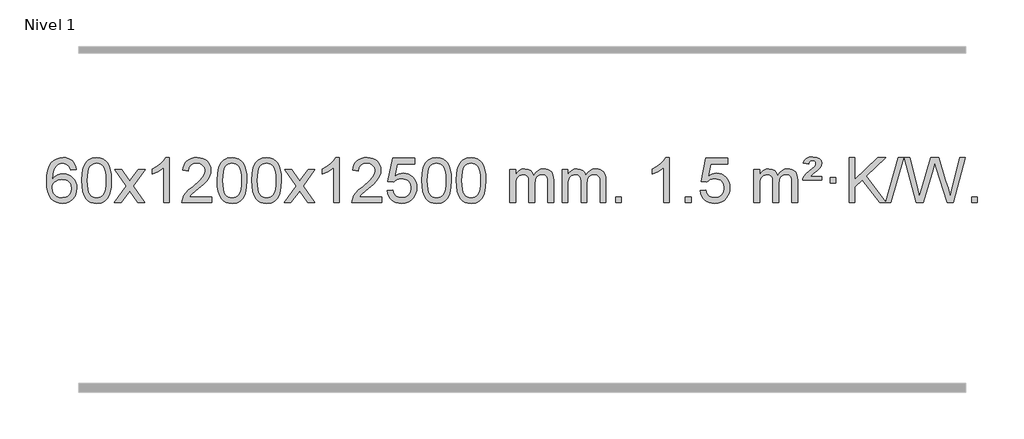
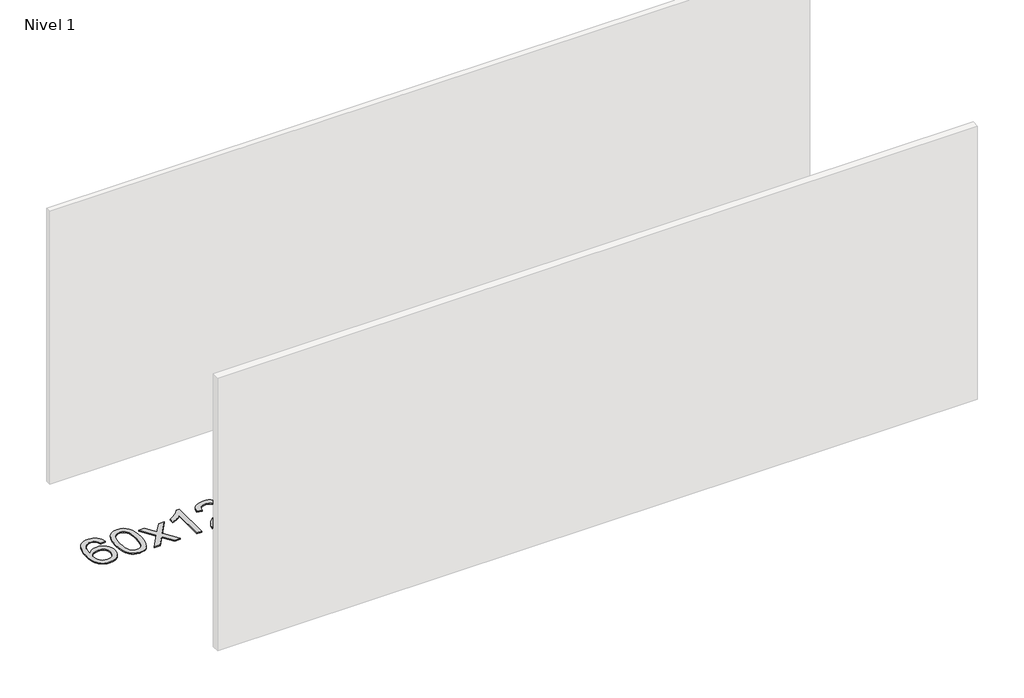
# One storey, part 14 of 14: 1 proxy.
"""IFC4 building model written with IfcOpenShell, lengths in millimetres."""

from ifc_helpers import new_model, si_unit, origin, origin_with_axes, place, context, project, spatial, polyline, outline, extrude, element, save

model = new_model("IFC4")

# Units and contexts
model_context = context("Model", 3, world=origin())
ifc_project = project(units=[si_unit("LENGTHUNIT", "METRE", prefix="MILLI")], contexts=[model_context])

# Site, building, storey
site = spatial("IfcSite", under=ifc_project)
building = spatial("IfcBuilding", under=site)
storey = spatial("IfcBuildingStorey", under=building, Name="Nivel 1", Elevation=0.0)

# Proxy
placement = place(None, origin())
element("IfcBuildingElementProxy", 1, Name="Texto de modelo 1", ObjectType="Texto de modelo 1", at=placement, inside=storey, context=model_context, shape_type="SweptSolid", body=[
    extrude(outline(polyline([(-252.5741406, 2903.5109581), (-302.8022957, 2897.2324387), (-310.8956996, 2922.125787), (-321.8340576, 2939.1219352), (-344.6182158, 2954.7937082), (-372.1603145, 2960.0176325), (-395.5085585, 2956.9764747), (-417.4833763, 2947.8530012), (-436.3557227, 2928.6372983), (-451.7699783, 2902.1865829), (-462.1810387, 2864.772984), (-466.0437997, 2812.6686307), (-445.8961291, 2836.1762902), (-421.7508075, 2852.7432427), (-394.9567355, 2862.565692), (-366.8628138, 2865.8398418), (-342.7297549, 2863.601893), (-320.4606315, 2856.8880466), (-300.0554435, 2845.6983025), (-281.5141909, 2830.0326609), (-266.1060667, 2810.8230894), (-255.1002637, 2789.0015557), (-248.4967818, 2764.5680599), (-246.2956212, 2737.5226018), (-250.440425, 2701.5560055), (-262.8748365, 2668.213634), (-282.568786, 2639.9357713), (-308.4922039, 2619.1627013), (-339.4678679, 2606.397196), (-374.3185556, 2602.1420276), (-404.2610843, 2604.9624563), (-431.3034766, 2613.4237421), (-455.4457325, 2627.5258853), (-476.6878521, 2647.2688857), (-494.005897, 2673.4866092), (-506.3759291, 2707.0129217), (-513.7979483, 2747.8478232), (-516.2719548, 2795.9913136), (-513.5251025, 2849.9657337), (-505.2845458, 2896.0306908), (-491.5502847, 2934.1861851), (-472.3223191, 2964.4322165), (-451.481804, 2984.4756538), (-427.3180883, 2998.7923948), (-399.8311719, 3007.3824394), (-369.0210548, 3010.2457876), (-345.8874087, 3008.4738227), (-324.9487918, 3003.1579278), (-306.2052042, 2994.2981031), (-289.6566457, 2981.8943485), (-275.7507063, 2966.3635969), (-264.9349757, 2948.1227814), (-257.2094538, 2927.1719017), (-252.5741406, 2903.5109581)]), holes=[polyline([(-466.0437997, 2738.3074168), (-463.1375319, 2716.0505561), (-454.4187286, 2694.7992395), (-440.8806712, 2676.527767), (-423.516641, 2663.2104388), (-402.5596301, 2655.0802467), (-378.2426302, 2652.3701827), (-345.0964624, 2657.9865145), (-331.1813259, 2665.0069292), (-319.0381544, 2674.8355099), (-309.188114, 2687.0737176), (-302.1523708, 2701.3230135), (-296.5237763, 2735.8548701), (-302.0787944, 2769.0010379), (-309.0225671, 2782.6218688), (-318.7438488, 2794.274531), (-330.9238085, 2803.6095366), (-345.2436152, 2810.2773978), (-380.3027693, 2815.6116867), (-413.3998862, 2810.2773978), (-441.0768749, 2794.274531), (-451.9999045, 2782.7751529), (-459.8020685, 2769.6141746), (-464.4833669, 2754.7915958), (-466.0437997, 2738.3074168)])]), origin_with_axes(), (0.0, 0.0, 1.0), 10.0),
    extrude(outline(polyline([(-202.3459855, 2806.0958057), (-198.6549029, 2870.4138412), (-187.5816548, 2921.7088541), (-169.236606, 2960.7656593), (-157.378543, 2975.9990395), (-143.730121, 2988.3690716), (-128.2453547, 2997.9401349), (-110.8782588, 3004.7766086), (-70.4970785, 3010.2457876), (-39.5459399, 3007.008426), (-11.832163, 2997.2963414), (11.3444027, 2981.4896783), (28.6839074, 2959.9685816), (41.7805065, 2932.9169922), (52.2283551, 2900.5188512), (59.0709602, 2859.3773814), (61.3518286, 2806.0958057), (57.6975341, 2742.1456523), (46.7346507, 2690.9732667), (28.4999664, 2651.8796734), (16.6694946, 2636.6003078), (3.0302696, 2624.1658964), (-12.4728908, 2614.5304538), (-29.8951689, 2607.6479948), (-70.4970785, 2602.1420276), (-98.1618045, 2604.5332606), (-122.6872709, 2611.7069595), (-144.0734775, 2623.6631243), (-162.3204245, 2640.4017551), (-179.8316074, 2670.6600492), (-192.3395953, 2708.3618224), (-199.844388, 2753.5070745), (-202.3459855, 2806.0958057)]), holes=[polyline([(-152.1178305, 2806.1939076), (-150.6463025, 2762.5293805), (-146.2317185, 2727.1851178), (-138.8740786, 2700.1611196), (-128.5733828, 2681.4573858), (-116.1144459, 2668.7317344), (-102.2820829, 2659.6419835), (-87.0762937, 2654.1881329), (-70.4970785, 2652.3701827), (-53.9178632, 2654.1942643), (-38.7120741, 2659.6665089), (-24.8797111, 2668.7869167), (-12.4207742, 2681.5554876), (-2.1200783, 2700.2898783), (5.2375616, 2727.3077451), (9.6521455, 2762.6090882), (11.1236735, 2806.1939076), (9.7011965, 2848.7026722), (5.4337653, 2883.4246011), (-1.6786199, 2910.3596945), (-11.6359592, 2929.5079524), (-23.8864297, 2942.8559375), (-37.8782082, 2952.3902125), (-53.6112949, 2958.1107775), (-71.0856897, 2960.0176325), (-87.5790658, 2958.3376381), (-102.5273375, 2953.2976548), (-115.9305049, 2944.8976825), (-127.7885679, 2933.1377214), (-138.4326203, 2912.291075), (-146.0355148, 2884.1848906), (-150.5972516, 2848.8191681), (-152.1178305, 2806.1939076)])]), origin_with_axes(), (0.0, 0.0, 1.0), 10.0),
    extrude(outline(polyline([(86.4659061, 2608.420547), (193.7893469, 2756.7505675), (92.7444255, 2903.5109581), (153.1751746, 2903.5109581), (201.9318017, 2832.877615), (224.6914345, 2799.5229808), (244.4099094, 2826.7952993), (299.9355652, 2903.5109581), (360.3663143, 2903.5109581), (254.2200959, 2756.7505675), (356.4422397, 2608.420547), (296.0114906, 2608.420547), (234.501621, 2697.5951426), (223.2199065, 2713.8800523), (146.8966552, 2608.420547), (86.4659061, 2608.420547)])), origin_with_axes(), (0.0, 0.0, 1.0), 10.0),
    extrude(outline(polyline([(576.1904181, 2608.420547), (525.962263, 2608.420547), (525.962263, 2921.5617013), (504.9929893, 2904.6023413), (478.3828583, 2887.6675068), (425.5059529, 2862.3081746), (425.5059529, 2909.7894775), (464.9551655, 2931.2492605), (499.1314029, 2956.780271), (526.0726276, 2983.9299622), (543.8168025, 3010.2457876), (576.1904181, 3010.2457876), (576.1904181, 2608.420547)])), origin_with_axes(), (0.0, 0.0, 1.0), 10.0),
    extrude(outline(polyline([(952.9015812, 2658.6487021), (952.9015812, 2608.420547), (689.203767, 2608.420547), (690.307413, 2626.1034082), (694.5993696, 2643.0505055), (706.9847301, 2670.1143576), (725.1090498, 2696.3688693), (751.3267733, 2723.8496544), (787.9923455, 2754.5923264), (842.1936261, 2802.7358169), (874.7143945, 2838.2732176), (890.9747787, 2867.115166), (896.3949067, 2895.1722995), (891.281347, 2920.3231653), (875.9406678, 2941.2311253), (852.3594319, 2955.3210057), (822.5242021, 2960.0176325), (791.1929188, 2955.4313703), (766.8513935, 2941.6725837), (751.1428323, 2919.8203932), (745.7104415, 2890.9539193), (695.4822864, 2897.2324387), (699.8018342, 2923.161988), (707.6591805, 2945.8173875), (719.0543253, 2965.1986373), (733.9872686, 2981.3057373), (752.1146539, 2993.9670093), (773.0931247, 3003.010775), (796.9226809, 3008.4370345), (823.6033226, 3010.2457876), (850.5230876, 3008.2346994), (874.4814025, 3002.2014346), (895.4782674, 2992.1459934), (913.5136822, 2978.0683758), (927.9990358, 2961.0109139), (938.3457169, 2942.0159402), (944.5537256, 2921.0834547), (946.6230618, 2898.2134573), (944.3912444, 2874.1907631), (937.695792, 2850.5850017), (925.8132036, 2826.5745701), (908.0199778, 2801.3378653), (879.6562759, 2771.2083299), (836.0622595, 2732.5194067), (778.2802608, 2684.204238), (755.6187299, 2658.6487021), (952.9015812, 2658.6487021)])), origin_with_axes(), (0.0, 0.0, 1.0), 10.0),
    extrude(outline(polyline([(1003.1297362, 2806.0958057), (1006.8208189, 2870.4138412), (1017.894067, 2921.7088541), (1036.2391158, 2960.7656593), (1048.0971788, 2975.9990395), (1061.7456008, 2988.3690716), (1077.2303671, 2997.9401349), (1094.597463, 3004.7766086), (1134.9786433, 3010.2457876), (1165.9297818, 3007.008426), (1193.6435588, 2997.2963414), (1216.8201245, 2981.4896783), (1234.1596292, 2959.9685816), (1247.2562282, 2932.9169922), (1257.7040769, 2900.5188512), (1264.546682, 2859.3773814), (1266.8275504, 2806.0958057), (1263.1732559, 2742.1456523), (1252.2103725, 2690.9732667), (1233.9756882, 2651.8796734), (1222.1452164, 2636.6003078), (1208.5059914, 2624.1658964), (1193.002831, 2614.5304538), (1175.5805529, 2607.6479948), (1134.9786433, 2602.1420276), (1107.3139173, 2604.5332606), (1082.7884509, 2611.7069595), (1061.4022443, 2623.6631243), (1043.1552973, 2640.4017551), (1025.6441144, 2670.6600492), (1013.1361265, 2708.3618224), (1005.6313338, 2753.5070745), (1003.1297362, 2806.0958057)]), holes=[polyline([(1053.3578913, 2806.1939076), (1054.8294193, 2762.5293805), (1059.2440032, 2727.1851178), (1066.6016432, 2700.1611196), (1076.902339, 2681.4573858), (1089.3612759, 2668.7317344), (1103.1936389, 2659.6419835), (1118.3994281, 2654.1881329), (1134.9786433, 2652.3701827), (1151.5578586, 2654.1942643), (1166.7636477, 2659.6665089), (1180.5960107, 2668.7869167), (1193.0549476, 2681.5554876), (1203.3556435, 2700.2898783), (1210.7132834, 2727.3077451), (1215.1278673, 2762.6090882), (1216.5993953, 2806.1939076), (1215.1769183, 2848.7026722), (1210.9094871, 2883.4246011), (1203.7971019, 2910.3596945), (1193.8397625, 2929.5079524), (1181.5892921, 2942.8559375), (1167.5975136, 2952.3902125), (1151.8644269, 2958.1107775), (1134.3900321, 2960.0176325), (1117.896656, 2958.3376381), (1102.9483843, 2953.2976548), (1089.5452169, 2944.8976825), (1077.6871539, 2933.1377214), (1067.0431015, 2912.291075), (1059.440207, 2884.1848906), (1054.8784702, 2848.8191681), (1053.3578913, 2806.1939076)])]), origin_with_axes(), (0.0, 0.0, 1.0), 10.0),
    extrude(outline(polyline([(1310.7771861, 2806.0958057), (1314.4682688, 2870.4138412), (1325.5415168, 2921.7088541), (1343.8865656, 2960.7656593), (1355.7446286, 2975.9990395), (1369.3930506, 2988.3690716), (1384.877817, 2997.9401349), (1402.2449128, 3004.7766086), (1442.6260932, 3010.2457876), (1473.5772317, 3007.008426), (1501.2910087, 2997.2963414), (1524.4675743, 2981.4896783), (1541.8070791, 2959.9685816), (1554.9036781, 2932.9169922), (1565.3515267, 2900.5188512), (1572.1941319, 2859.3773814), (1574.4750002, 2806.0958057), (1570.8207057, 2742.1456523), (1559.8578223, 2690.9732667), (1541.6231381, 2651.8796734), (1529.7926662, 2636.6003078), (1516.1534413, 2624.1658964), (1500.6502808, 2614.5304538), (1483.2280027, 2607.6479948), (1442.6260932, 2602.1420276), (1414.9613671, 2604.5332606), (1390.4359008, 2611.7069595), (1369.0496941, 2623.6631243), (1350.8027472, 2640.4017551), (1333.2915642, 2670.6600492), (1320.7835764, 2708.3618224), (1313.2787836, 2753.5070745), (1310.7771861, 2806.0958057)]), holes=[polyline([(1361.0053412, 2806.1939076), (1362.4768691, 2762.5293805), (1366.8914531, 2727.1851178), (1374.249093, 2700.1611196), (1384.5497888, 2681.4573858), (1397.0087258, 2668.7317344), (1410.8410888, 2659.6419835), (1426.0468779, 2654.1881329), (1442.6260932, 2652.3701827), (1459.2053084, 2654.1942643), (1474.4110975, 2659.6665089), (1488.2434606, 2668.7869167), (1500.7023975, 2681.5554876), (1511.0030933, 2700.2898783), (1518.3607332, 2727.3077451), (1522.7753172, 2762.6090882), (1524.2468452, 2806.1939076), (1522.8243681, 2848.7026722), (1518.556937, 2883.4246011), (1511.4445517, 2910.3596945), (1501.4872124, 2929.5079524), (1489.2367419, 2942.8559375), (1475.2449634, 2952.3902125), (1459.5118767, 2958.1107775), (1442.037482, 2960.0176325), (1425.5441058, 2958.3376381), (1410.5958341, 2953.2976548), (1397.1926667, 2944.8976825), (1385.3346038, 2933.1377214), (1374.6905514, 2912.291075), (1367.0876568, 2884.1848906), (1362.5259201, 2848.8191681), (1361.0053412, 2806.1939076)])]), origin_with_axes(), (0.0, 0.0, 1.0), 10.0),
    extrude(outline(polyline([(1599.5890778, 2608.420547), (1706.9125185, 2756.7505675), (1605.8675971, 2903.5109581), (1666.2983462, 2903.5109581), (1715.0549733, 2832.877615), (1737.8146061, 2799.5229808), (1757.533081, 2826.7952993), (1813.0587368, 2903.5109581), (1873.4894859, 2903.5109581), (1767.3432676, 2756.7505675), (1869.5654113, 2608.420547), (1809.1346622, 2608.420547), (1747.6247926, 2697.5951426), (1736.3430781, 2713.8800523), (1660.0198268, 2608.420547), (1599.5890778, 2608.420547)])), origin_with_axes(), (0.0, 0.0, 1.0), 10.0),
    extrude(outline(polyline([(2089.3135897, 2608.420547), (2039.0854347, 2608.420547), (2039.0854347, 2921.5617013), (2018.1161609, 2904.6023413), (1991.50603, 2887.6675068), (1938.6291245, 2862.3081746), (1938.6291245, 2909.7894775), (1978.0783371, 2931.2492605), (2012.2545745, 2956.780271), (2039.1957993, 2983.9299622), (2056.9399742, 3010.2457876), (2089.3135897, 3010.2457876), (2089.3135897, 2608.420547)])), origin_with_axes(), (0.0, 0.0, 1.0), 10.0),
    extrude(outline(polyline([(2466.0247528, 2658.6487021), (2466.0247528, 2608.420547), (2202.3269387, 2608.420547), (2203.4305846, 2626.1034082), (2207.7225413, 2643.0505055), (2220.1079018, 2670.1143576), (2238.2322214, 2696.3688693), (2264.4499449, 2723.8496544), (2301.1155171, 2754.5923264), (2355.3167977, 2802.7358169), (2387.8375661, 2838.2732176), (2404.0979503, 2867.115166), (2409.5180783, 2895.1722995), (2404.4045186, 2920.3231653), (2389.0638394, 2941.2311253), (2365.4826035, 2955.3210057), (2335.6473737, 2960.0176325), (2304.3160905, 2955.4313703), (2279.9745651, 2941.6725837), (2264.2660039, 2919.8203932), (2258.8336131, 2890.9539193), (2208.605458, 2897.2324387), (2212.9250058, 2923.161988), (2220.7823521, 2945.8173875), (2232.1774969, 2965.1986373), (2247.1104402, 2981.3057373), (2265.2378255, 2993.9670093), (2286.2162963, 3003.010775), (2310.0458525, 3008.4370345), (2336.7264942, 3010.2457876), (2363.6462592, 3008.2346994), (2387.6045742, 3002.2014346), (2408.601439, 2992.1459934), (2426.6368539, 2978.0683758), (2441.1222074, 2961.0109139), (2451.4688885, 2942.0159402), (2457.6768972, 2921.0834547), (2459.7462334, 2898.2134573), (2457.514416, 2874.1907631), (2450.8189637, 2850.5850017), (2438.9363752, 2826.5745701), (2421.1431494, 2801.3378653), (2392.7794476, 2771.2083299), (2349.1854311, 2732.5194067), (2291.4034324, 2684.204238), (2268.7419015, 2658.6487021), (2466.0247528, 2658.6487021)])), origin_with_axes(), (0.0, 0.0, 1.0), 10.0),
    extrude(outline(polyline([(2516.2529079, 2715.1553765), (2566.481063, 2721.4338959), (2575.7026383, 2691.2798351), (2591.7913442, 2669.6851619), (2614.6736043, 2656.6989275), (2644.2758422, 2652.3701827), (2663.4057059, 2653.8754332), (2680.2792268, 2658.3911847), (2694.8964047, 2665.9174372), (2707.2572398, 2676.4541906), (2717.0858204, 2689.480279), (2724.1062352, 2704.4745359), (2729.7225669, 2740.3675559), (2724.4618544, 2774.1636486), (2717.8859638, 2788.0818507), (2708.6797168, 2800.0134901), (2696.8124568, 2809.5845533), (2682.2535268, 2816.4210271), (2645.0606571, 2821.8902061), (2620.6946063, 2819.7074396), (2600.9638686, 2813.1591401), (2585.2062565, 2803.1282243), (2572.7595823, 2790.4976092), (2522.5314273, 2796.7761285), (2566.481063, 3003.9672682), (2761.1151639, 3003.9672682), (2761.1151639, 2953.7391131), (2607.0952352, 2953.7391131), (2585.6109267, 2843.080209), (2603.3367075, 2855.7844006), (2621.491684, 2864.8588231), (2640.0758561, 2870.3034766), (2659.0892239, 2872.1183612), (2683.5503109, 2869.8681496), (2706.0187037, 2863.117515), (2726.4944024, 2851.8664573), (2744.977407, 2836.1149766), (2760.2782323, 2816.8256973), (2771.2073933, 2794.961244), (2777.7648898, 2770.5216168), (2779.950722, 2743.5068156), (2777.9825533, 2717.4852958), (2772.0780473, 2693.2786606), (2762.237204, 2670.8869098), (2748.4600232, 2650.3100435), (2727.5888514, 2629.2365366), (2703.2350633, 2614.1840316), (2675.398659, 2605.1525286), (2644.0796385, 2602.1420276), (2618.1592862, 2604.0764738), (2594.7466629, 2609.8798123), (2573.8417685, 2619.552043), (2555.4446031, 2633.0931662), (2540.1376464, 2649.8287312), (2528.5033783, 2669.084288), (2520.5417988, 2690.8598364), (2516.2529079, 2715.1553765)])), origin_with_axes(), (0.0, 0.0, 1.0), 10.0),
    extrude(outline(polyline([(2823.9003577, 2806.0958057), (2827.5914404, 2870.4138412), (2838.6646885, 2921.7088541), (2857.0097373, 2960.7656593), (2868.8678003, 2975.9990395), (2882.5162223, 2988.3690716), (2898.0009886, 2997.9401349), (2915.3680844, 3004.7766086), (2955.7492648, 3010.2457876), (2986.7004033, 3007.008426), (3014.4141803, 2997.2963414), (3037.590746, 2981.4896783), (3054.9302507, 2959.9685816), (3068.0268497, 2932.9169922), (3078.4746984, 2900.5188512), (3085.3173035, 2859.3773814), (3087.5981719, 2806.0958057), (3083.9438774, 2742.1456523), (3072.9809939, 2690.9732667), (3054.7463097, 2651.8796734), (3042.9158379, 2636.6003078), (3029.2766129, 2624.1658964), (3013.7734525, 2614.5304538), (2996.3511743, 2607.6479948), (2955.7492648, 2602.1420276), (2928.0845387, 2604.5332606), (2903.5590724, 2611.7069595), (2882.1728657, 2623.6631243), (2863.9259188, 2640.4017551), (2846.4147358, 2670.6600492), (2833.906748, 2708.3618224), (2826.4019553, 2753.5070745), (2823.9003577, 2806.0958057)]), holes=[polyline([(2874.1285128, 2806.1939076), (2875.6000408, 2762.5293805), (2880.0146247, 2727.1851178), (2887.3722646, 2700.1611196), (2897.6729605, 2681.4573858), (2910.1318974, 2668.7317344), (2923.9642604, 2659.6419835), (2939.1700495, 2654.1881329), (2955.7492648, 2652.3701827), (2972.32848, 2654.1942643), (2987.5342692, 2659.6665089), (3001.3666322, 2668.7869167), (3013.8255691, 2681.5554876), (3024.126265, 2700.2898783), (3031.4839049, 2727.3077451), (3035.8984888, 2762.6090882), (3037.3700168, 2806.1939076), (3035.9475397, 2848.7026722), (3031.6801086, 2883.4246011), (3024.5677233, 2910.3596945), (3014.610384, 2929.5079524), (3002.3599136, 2942.8559375), (2988.368135, 2952.3902125), (2972.6350484, 2958.1107775), (2955.1606536, 2960.0176325), (2938.6672775, 2958.3376381), (2923.7190057, 2953.2976548), (2910.3158384, 2944.8976825), (2898.4577754, 2933.1377214), (2887.813723, 2912.291075), (2880.2108284, 2884.1848906), (2875.6490917, 2848.8191681), (2874.1285128, 2806.1939076)])]), origin_with_axes(), (0.0, 0.0, 1.0), 10.0),
    extrude(outline(polyline([(3131.5478075, 2806.0958057), (3135.2388902, 2870.4138412), (3146.3121383, 2921.7088541), (3164.6571871, 2960.7656593), (3176.5152501, 2975.9990395), (3190.1636721, 2988.3690716), (3205.6484384, 2997.9401349), (3223.0155343, 3004.7766086), (3263.3967146, 3010.2457876), (3294.3478531, 3007.008426), (3322.0616301, 2997.2963414), (3345.2381958, 2981.4896783), (3362.5777005, 2959.9685816), (3375.6742995, 2932.9169922), (3386.1221482, 2900.5188512), (3392.9647533, 2859.3773814), (3395.2456217, 2806.0958057), (3391.5913272, 2742.1456523), (3380.6284437, 2690.9732667), (3362.3937595, 2651.8796734), (3350.5632877, 2636.6003078), (3336.9240627, 2624.1658964), (3321.4209023, 2614.5304538), (3303.9986241, 2607.6479948), (3263.3967146, 2602.1420276), (3235.7319886, 2604.5332606), (3211.2065222, 2611.7069595), (3189.8203156, 2623.6631243), (3171.5733686, 2640.4017551), (3154.0621856, 2670.6600492), (3141.5541978, 2708.3618224), (3134.0494051, 2753.5070745), (3131.5478075, 2806.0958057)]), holes=[polyline([(3181.7759626, 2806.1939076), (3183.2474906, 2762.5293805), (3187.6620745, 2727.1851178), (3195.0197144, 2700.1611196), (3205.3204103, 2681.4573858), (3217.7793472, 2668.7317344), (3231.6117102, 2659.6419835), (3246.8174994, 2654.1881329), (3263.3967146, 2652.3701827), (3279.9759299, 2654.1942643), (3295.181719, 2659.6665089), (3309.014082, 2668.7869167), (3321.4730189, 2681.5554876), (3331.7737148, 2700.2898783), (3339.1313547, 2727.3077451), (3343.5459386, 2762.6090882), (3345.0174666, 2806.1939076), (3343.5949896, 2848.7026722), (3339.3275584, 2883.4246011), (3332.2151732, 2910.3596945), (3322.2578338, 2929.5079524), (3310.0073634, 2942.8559375), (3296.0155849, 2952.3902125), (3280.2824982, 2958.1107775), (3262.8081034, 2960.0176325), (3246.3147273, 2958.3376381), (3231.3664556, 2953.2976548), (3217.9632882, 2944.8976825), (3206.1052252, 2933.1377214), (3195.4611728, 2912.291075), (3187.8582783, 2884.1848906), (3183.2965415, 2848.8191681), (3181.7759626, 2806.1939076)])]), origin_with_axes(), (0.0, 0.0, 1.0), 10.0),
    extrude(outline(polyline([(3608.7152808, 2608.420547), (3608.7152808, 2903.5109581), (3658.9434358, 2903.5109581), (3658.9434358, 2854.9505347), (3674.0511231, 2877.2564463), (3693.4752924, 2894.7308411), (3716.5537563, 2906.0248184), (3742.624327, 2909.7894775), (3770.5588332, 2905.951242), (3792.9505839, 2894.4365355), (3809.676952, 2876.0056476), (3820.61531, 2851.4188676), (3838.9235706, 2876.9560094), (3859.8070052, 2895.196825), (3883.2656138, 2906.1413143), (3909.2993963, 2909.7894775), (3929.407213, 2908.2719642), (3947.0563517, 2903.7194245), (3962.2468124, 2896.1318584), (3974.9785952, 2885.5092658), (3985.0432334, 2871.7290194), (3992.2322607, 2854.6684918), (3996.5456771, 2834.3276832), (3997.9834826, 2810.7065934), (3997.9834826, 2608.420547), (3947.7553275, 2608.420547), (3947.7553275, 2789.124183), (3946.5903679, 2814.1769469), (3943.0954889, 2831.0627305), (3936.5471894, 2842.6264879), (3926.2219681, 2851.7131732), (3912.941428, 2857.5992851), (3897.5271724, 2859.5613224), (3870.3161675, 2854.5336018), (3848.1328832, 2839.45044), (3839.5275102, 2827.8805512), (3833.3808152, 2813.2817674), (3828.4634592, 2774.9975144), (3828.4634592, 2608.420547), (3778.2353041, 2608.420547), (3778.2353041, 2794.7159894), (3775.3290364, 2823.1164794), (3766.6102331, 2843.3745146), (3751.2695539, 2855.5146204), (3728.4976584, 2859.5613224), (3709.1470654, 2856.8635211), (3691.3170514, 2848.7701172), (3676.6017716, 2835.4773144), (3666.5953813, 2817.1813165), (3660.8564222, 2791.7974589), (3658.9434358, 2757.2410768), (3658.9434358, 2608.420547), (3608.7152808, 2608.420547)])), origin_with_axes(), (0.0, 0.0, 1.0), 10.0),
    extrude(outline(polyline([(4073.3257152, 2608.420547), (4073.3257152, 2903.5109581), (4123.5538703, 2903.5109581), (4123.5538703, 2854.9505347), (4138.6615575, 2877.2564463), (4158.0857269, 2894.7308411), (4181.1641907, 2906.0248184), (4207.2347614, 2909.7894775), (4235.1692676, 2905.951242), (4257.5610184, 2894.4365355), (4274.2873864, 2876.0056476), (4285.2257444, 2851.4188676), (4303.534005, 2876.9560094), (4324.4174396, 2895.196825), (4347.8760482, 2906.1413143), (4373.9098307, 2909.7894775), (4394.0176474, 2908.2719642), (4411.6667862, 2903.7194245), (4426.8572469, 2896.1318584), (4439.5890296, 2885.5092658), (4449.6536678, 2871.7290194), (4456.8426952, 2854.6684918), (4461.1561116, 2834.3276832), (4462.593917, 2810.7065934), (4462.593917, 2608.420547), (4412.365762, 2608.420547), (4412.365762, 2789.124183), (4411.2008023, 2814.1769469), (4407.7059233, 2831.0627305), (4401.1576238, 2842.6264879), (4390.8324025, 2851.7131732), (4377.5518625, 2857.5992851), (4362.1376069, 2859.5613224), (4334.926602, 2854.5336018), (4312.7433177, 2839.45044), (4304.1379447, 2827.8805512), (4297.9912497, 2813.2817674), (4293.0738936, 2774.9975144), (4293.0738936, 2608.420547), (4242.8457386, 2608.420547), (4242.8457386, 2794.7159894), (4239.9394708, 2823.1164794), (4231.2206675, 2843.3745146), (4215.8799883, 2855.5146204), (4193.1080928, 2859.5613224), (4173.7574999, 2856.8635211), (4155.9274858, 2848.7701172), (4141.212206, 2835.4773144), (4131.2058158, 2817.1813165), (4125.4668566, 2791.7974589), (4123.5538703, 2757.2410768), (4123.5538703, 2608.420547), (4073.3257152, 2608.420547)])), origin_with_axes(), (0.0, 0.0, 1.0), 10.0),
    extrude(outline(polyline([(4550.4931884, 2608.420547), (4550.4931884, 2658.6487021), (4600.7213435, 2658.6487021), (4600.7213435, 2608.420547), (4550.4931884, 2608.420547)])), origin_with_axes(), (0.0, 0.0, 1.0), 10.0),
    extrude(outline(polyline([(5027.6606616, 2608.420547), (4977.4325065, 2608.420547), (4977.4325065, 2921.5617013), (4956.4632328, 2904.6023413), (4929.8531018, 2887.6675068), (4876.9761964, 2862.3081746), (4876.9761964, 2909.7894775), (4916.425409, 2931.2492605), (4950.6016464, 2956.780271), (4977.5428711, 2983.9299622), (4995.287046, 3010.2457876), (5027.6606616, 3010.2457876), (5027.6606616, 2608.420547)])), origin_with_axes(), (0.0, 0.0, 1.0), 10.0),
    extrude(outline(polyline([(5172.0666075, 2608.420547), (5172.0666075, 2658.6487021), (5222.2947625, 2658.6487021), (5222.2947625, 2608.420547), (5172.0666075, 2608.420547)])), origin_with_axes(), (0.0, 0.0, 1.0), 10.0),
    extrude(outline(polyline([(5303.9155145, 2715.1553765), (5354.1436696, 2721.4338959), (5363.3652449, 2691.2798351), (5379.4539509, 2669.6851619), (5402.336211, 2656.6989275), (5431.9384489, 2652.3701827), (5451.0683126, 2653.8754332), (5467.9418334, 2658.3911847), (5482.5590114, 2665.9174372), (5494.9198464, 2676.4541906), (5504.7484271, 2689.480279), (5511.7688418, 2704.4745359), (5517.3851736, 2740.3675559), (5512.1244611, 2774.1636486), (5505.5485704, 2788.0818507), (5496.3423235, 2800.0134901), (5484.4750634, 2809.5845533), (5469.9161335, 2816.4210271), (5432.7232638, 2821.8902061), (5408.357213, 2819.7074396), (5388.6264753, 2813.1591401), (5372.8688632, 2803.1282243), (5360.422189, 2790.4976092), (5310.1940339, 2796.7761285), (5354.1436696, 3003.9672682), (5548.7777705, 3003.9672682), (5548.7777705, 2953.7391131), (5394.7578419, 2953.7391131), (5373.2735334, 2843.080209), (5390.9993142, 2855.7844006), (5409.1542906, 2864.8588231), (5427.7384627, 2870.3034766), (5446.7518305, 2872.1183612), (5471.2129175, 2869.8681496), (5493.6813104, 2863.117515), (5514.1570091, 2851.8664573), (5532.6400137, 2836.1149766), (5547.940839, 2816.8256973), (5558.8699999, 2794.961244), (5565.4274965, 2770.5216168), (5567.6133287, 2743.5068156), (5565.64516, 2717.4852958), (5559.740654, 2693.2786606), (5549.8998106, 2670.8869098), (5536.1226299, 2650.3100435), (5515.251458, 2629.2365366), (5490.8976699, 2614.1840316), (5463.0612656, 2605.1525286), (5431.7422451, 2602.1420276), (5405.8218929, 2604.0764738), (5382.4092696, 2609.8798123), (5361.5043752, 2619.552043), (5343.1072097, 2633.0931662), (5327.8002531, 2649.8287312), (5316.165985, 2669.084288), (5308.2044055, 2690.8598364), (5303.9155145, 2715.1553765)])), origin_with_axes(), (0.0, 0.0, 1.0), 10.0),
    extrude(outline(polyline([(5781.0829877, 2608.420547), (5781.0829877, 2903.5109581), (5831.3111428, 2903.5109581), (5831.3111428, 2854.9505347), (5846.4188301, 2877.2564463), (5865.8429994, 2894.7308411), (5888.9214633, 2906.0248184), (5914.992034, 2909.7894775), (5942.9265402, 2905.951242), (5965.3182909, 2894.4365355), (5982.044659, 2876.0056476), (5992.983017, 2851.4188676), (6011.2912776, 2876.9560094), (6032.1747122, 2895.196825), (6055.6333207, 2906.1413143), (6081.6671033, 2909.7894775), (6101.77492, 2908.2719642), (6119.4240587, 2903.7194245), (6134.6145194, 2896.1318584), (6147.3463021, 2885.5092658), (6157.4109404, 2871.7290194), (6164.5999677, 2854.6684918), (6168.9133841, 2834.3276832), (6170.3511896, 2810.7065934), (6170.3511896, 2608.420547), (6120.1230345, 2608.420547), (6120.1230345, 2789.124183), (6118.9580748, 2814.1769469), (6115.4631959, 2831.0627305), (6108.9148964, 2842.6264879), (6098.589675, 2851.7131732), (6085.309135, 2857.5992851), (6069.8948794, 2859.5613224), (6042.6838745, 2854.5336018), (6020.5005902, 2839.45044), (6011.8952172, 2827.8805512), (6005.7485222, 2813.2817674), (6000.8311662, 2774.9975144), (6000.8311662, 2608.420547), (5950.6030111, 2608.420547), (5950.6030111, 2794.7159894), (5947.6967434, 2823.1164794), (5938.9779401, 2843.3745146), (5923.6372609, 2855.5146204), (5900.8653654, 2859.5613224), (5881.5147724, 2856.8635211), (5863.6847584, 2848.7701172), (5848.9694786, 2835.4773144), (5838.9630883, 2817.1813165), (5833.2241292, 2791.7974589), (5831.3111428, 2757.2410768), (5831.3111428, 2608.420547), (5781.0829877, 2608.420547)])), origin_with_axes(), (0.0, 0.0, 1.0), 10.0),
    extrude(outline(polyline([(6214.3008253, 2809.3331673), (6218.126798, 2825.1520931), (6226.4654566, 2841.0200698), (6247.9742906, 2866.1586728), (6279.9309732, 2893.8969753), (6324.0768126, 2931.273786), (6331.2137233, 2942.8007552), (6333.5926936, 2954.6220299), (6331.7042327, 2966.7130848), (6326.0388499, 2976.4987459), (6316.6701218, 2982.973469), (6303.6716246, 2985.1317101), (6291.2372132, 2983.5130293), (6282.3835198, 2978.656987), (6275.9578477, 2969.1901569), (6270.8074997, 2953.7391131), (6220.5793446, 2960.0176325), (6231.4196008, 2985.2298119), (6248.047867, 3002.7900458), (6271.8130438, 3013.0907417), (6304.0640321, 3016.524307), (6339.8466875, 3012.3917659), (6364.592883, 2999.9941427), (6379.0138572, 2981.6613566), (6383.8208486, 2959.7233269), (6379.7250958, 2936.8165414), (6367.4378371, 2915.1850801), (6346.9100218, 2895.3685032), (6310.4406533, 2867.3113697), (6284.8360665, 2840.7257642), (6383.8208486, 2840.7257642), (6383.8208486, 2809.3331673), (6214.3008253, 2809.3331673)])), origin_with_axes(), (0.0, 0.0, 1.0), 10.0),
    extrude(outline(polyline([(6459.1630812, 2784.2190898), (6459.1630812, 2834.4472448), (6509.3912363, 2834.4472448), (6509.3912363, 2784.2190898), (6459.1630812, 2784.2190898)])), origin_with_axes(), (0.0, 0.0, 1.0), 10.0),
    extrude(outline(polyline([(6900.0328643, 2608.420547), (6746.6015468, 2811.0990009), (6678.9112597, 2746.5479735), (6678.9112597, 2608.420547), (6628.6831046, 2608.420547), (6628.6831046, 3010.2457876), (6678.9112597, 3010.2457876), (6678.9112597, 2813.5515475), (6884.925177, 3010.2457876), (6955.1661126, 3010.2457876), (6782.2125239, 2845.0422463), (6956.8661338, 2614.4650668), (7068.1794615, 3010.2457876), (7113.5025233, 3010.2457876), (7000.4891744, 2608.420547), (6961.444632, 2608.420547), (6955.1661126, 2608.420547), (6900.0328643, 2608.420547)])), origin_with_axes(), (0.0, 0.0, 1.0), 10.0),
    extrude(outline(polyline([(7227.9874002, 2608.420547), (7118.4076166, 3010.2457876), (7170.2054015, 3010.2457876), (7233.7754103, 2746.155566), (7253.3957834, 2664.6329159), (7274.3895826, 2736.7377869), (7354.0482973, 3010.2457876), (7428.7038168, 3010.2457876), (7486.5839174, 2811.9819177), (7511.3791639, 2738.4055186), (7529.6506363, 2664.6329159), (7548.6823982, 2743.8011212), (7612.8410181, 3010.2457876), (7664.638803, 3010.2457876), (7554.9609175, 2608.420547), (7501.2991972, 2608.420547), (7404.9631654, 2918.4224416), (7391.5232098, 2961.6853642), (7376.4155226, 2909.5932737), (7288.614353, 2608.420547), (7227.9874002, 2608.420547)])), origin_with_axes(), (0.0, 0.0, 1.0), 10.0),
    extrude(outline(polyline([(7721.1454775, 2608.420547), (7721.1454775, 2658.6487021), (7771.3736326, 2658.6487021), (7771.3736326, 2608.420547), (7721.1454775, 2608.420547)])), origin_with_axes(), (0.0, 0.0, 1.0), 10.0),
])

save(model, "model.ifc")
